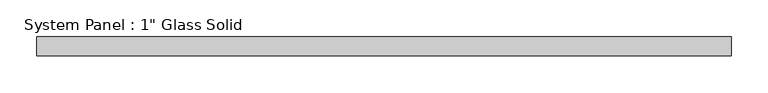
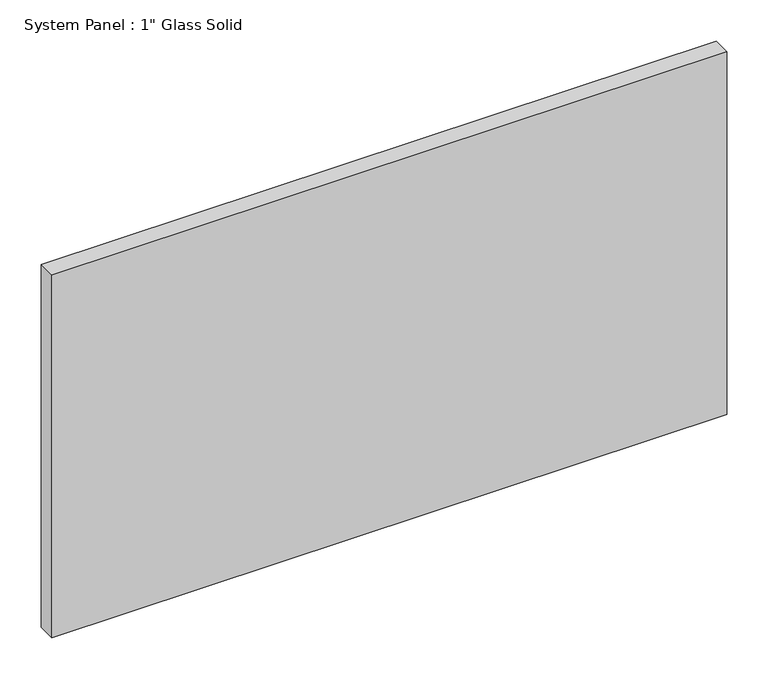
"""IFC4 building model written with IfcOpenShell, lengths in millimetres: plate geometry."""

from ifc_helpers import new_model, si_unit, origin, origin_with_axes, place, context, project, spatial, polyline, outline, extrude, source, transform, mapped, element, save


def plate_1d358f9a(model_context):
    return source(origin(), model_context, "Body", "SweptSolid", [
        extrude(outline(polyline([(470.9095691, -12.7), (-470.9095691, -12.7), (-470.9095691, 12.7), (470.9095691, 12.7), (470.9095691, -12.7)])), origin_with_axes(), (0.0, 0.0, 1.0), 535.4191382),
    ])


if __name__ == "__main__":
    model = new_model("IFC4")
    model_context = context("Model", 3, world=origin())
    ifc_project = project(units=[si_unit("LENGTHUNIT", "METRE", prefix="MILLI")], contexts=[model_context])
    site = spatial("IfcSite", under=ifc_project)
    building = spatial("IfcBuilding", under=site)
    placement = place(None, origin())
    plate_shape = plate_1d358f9a(model_context)
    element("IfcPlate", 1, ObjectType="System Panel : 1\" Glass Solid", at=placement, inside=building, context=model_context, shape_type="MappedRepresentation", body=[
        mapped(plate_shape, transform((0.0, 0.0, 0.0), x_axis=(1.0, 0.0, 0.0), y_axis=(0.0, 1.0, 0.0), z_axis=(0.0, 0.0, 1.0))),
    ])
    save(model, "model.ifc")
